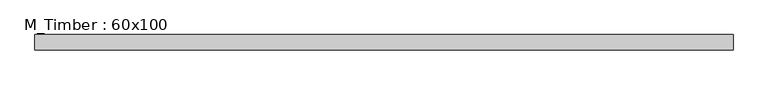
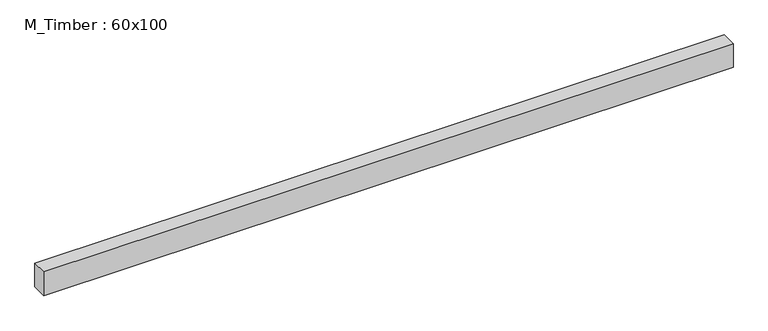
"""IFC4 building model written with IfcOpenShell, lengths in millimetres: beam geometry, M_Timber : 60x100."""

from ifc_helpers import new_model, si_unit, frame, origin, place, context, project, spatial, polyline, outline, extrude, source, transform, mapped, element, save


def m_timber_60x100_01fc5158(model_context):
    return source(origin(), model_context, "Body", "SweptSolid", [
        extrude(outline(polyline([(1467.409924, 30.0), (1467.409924, -30.0), (-1281.017442, -30.0), (-1281.017442, 30.0), (1467.409924, 30.0)])), frame((0.0, 0.0, -50.0), z_axis=(0.0, 0.0, 1.0), x_axis=(1.0, 0.0, 0.0)), (0.0, 0.0, 1.0), 100.0),
    ])


if __name__ == "__main__":
    model = new_model("IFC4")
    model_context = context("Model", 3, world=origin())
    ifc_project = project(units=[si_unit("LENGTHUNIT", "METRE", prefix="MILLI")], contexts=[model_context])
    site = spatial("IfcSite", under=ifc_project)
    building = spatial("IfcBuilding", under=site)
    placement = place(None, origin())
    m_timber_60x100_shape = m_timber_60x100_01fc5158(model_context)
    element("IfcBeam", 1, ObjectType="M_Timber : 60x100", at=placement, inside=building, context=model_context, shape_type="MappedRepresentation", body=[
        mapped(m_timber_60x100_shape, transform((0.0, 0.0, 0.0), x_axis=(1.0, 0.0, 0.0), y_axis=(0.0, 1.0, 0.0), z_axis=(0.0, 0.0, 1.0))),
    ])
    save(model, "model.ifc")
